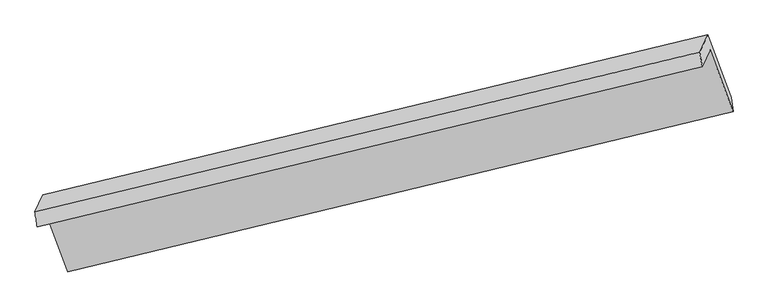
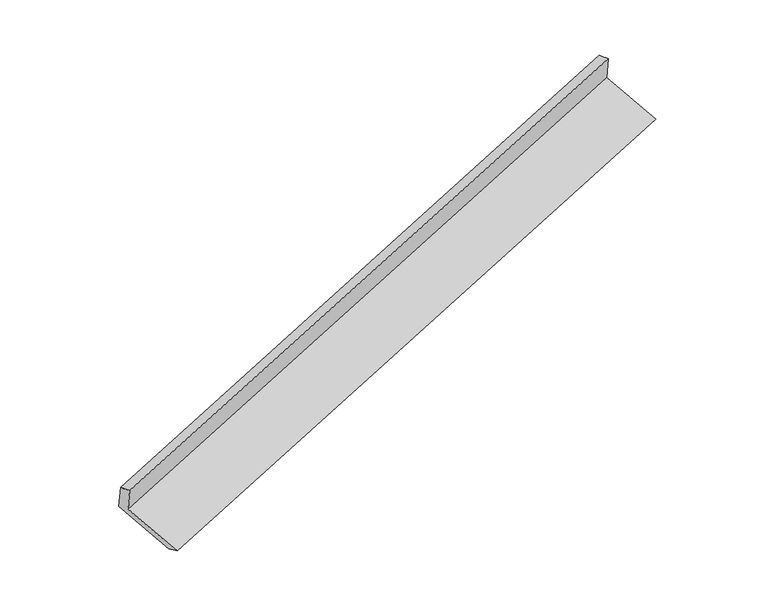
"""IFC4 building model written with IfcOpenShell, lengths in millimetres: proxy geometry."""

from ifc_helpers import new_model, si_unit, frame, origin, place, context, project, spatial, source, transform, mapped, element, save
from ifc_brep_helpers import plane_surface, spline_surface, advanced_brep


def generic_models_c0dd625f(model_context):
    return source(origin(), model_context, "Body", "AdvancedBrep", [
        advanced_brep(
        [(-6121.5503686, -2246.8032074, 1231.9339946), (-6047.2500124, -2086.4535323, 884.23793), (249.3421673, -566.9854118, 2930.5229875), (175.0418111, -727.335087, 3278.2190521), (-6142.4566091, -2103.5180097, 1187.2671295), (152.2305905, -588.16108, 3242.4667348), (-6068.4611416, -1943.8263234, 840.9978227), (228.1310381, -424.3582029, 2887.2828802), (-5845.7448142, -2540.3406082, 613.4917408), (450.8473655, -1020.8724877, 2659.7767983), (-5829.4766842, -2669.7286902, 661.7811519), (467.1154955, -1150.2605697, 2708.0662095)],
        [
            (0, 1),
            (1, 2),
            (2, 3),
            (3, 0),
            (4, 0),
            (3, 5),
            (5, 4),
            (6, 4),
            (5, 7),
            (7, 6),
            (8, 6),
            (7, 9),
            (9, 8),
            (10, 8),
            (9, 11),
            (11, 10),
            (1, 10),
            (11, 2),
        ],
        [
            plane_surface(frame((-6084.4001905, -2166.6283698, 1058.0859623), z_axis=(0.3232510842144527, -0.88371141250637, -0.3384713813015476), x_axis=(0.19049800713451623, 0.41111907293469113, -0.8914547757161314))),
            spline_surface(1, 1, [[(-6142.4566091, -2103.5180097, 1187.2671295), (152.2305905, -588.16108, 3242.4667348)], [(-6121.5503686, -2246.8032074, 1231.9339946), (175.0418111, -727.335087, 3278.2190521)]], [2, 2], [2, 2], [0.0, 1.0], [0.0, 1.0]),
            plane_surface(frame((-6105.4588754, -2023.6721665, 1014.1324761), z_axis=(-0.3232510842144527, 0.8837114125063696, 0.33847138130154814), x_axis=(-0.19049800713451637, -0.4111190729346917, 0.8914547757161311))),
            plane_surface(frame((-5957.1029779, -2242.0834658, 727.2447817), z_axis=(0.19049800713451714, 0.41111907293468863, -0.8914547757161323), x_axis=(-0.32938459309593, 0.8822101961918987, 0.3364683633955506))),
            plane_surface(frame((-5837.6107492, -2605.0346492, 637.6364464), z_axis=(0.3579675241525191, -0.2866473620258727, -0.8886464659783013), x_axis=(-0.11698607108827566, 0.9304451974865754, -0.3472549404191347))),
            plane_surface(frame((-5938.3633483, -2378.0911112, 773.0095409), z_axis=(-0.19049800713451465, -0.4111190729346958, 0.8914547757161296), x_axis=(0.3293845930959326, -0.8822101961918951, -0.3364683633955574))),
            plane_surface(frame((287.118078, -746.3288065, 2951.055777), z_axis=(0.9247790542117647, 0.22953491587201674, 0.3034755728008767), x_axis=(-0.32938459309593, 0.8822101961918987, 0.3364683633955506))),
            plane_surface(frame((-6009.156605, -2265.1117285, 903.2849616), z_axis=(-0.9247790542117673, -0.22953491587200955, -0.3034755728008739), x_axis=(-0.19049800713451653, -0.41111907293469074, 0.8914547757161314))),
        ],
        [
            (0, [[1, 2, 3, 4]]),
            (1, [[5, -4, 6, 7]]),
            (2, [[8, -7, 9, 10]]),
            (3, [[11, -10, 12, 13]]),
            (4, [[14, -13, 15, 16]]),
            (5, [[17, -16, 18, -2]]),
            (6, [[-12, -9, -6, -3, -18, -15]]),
            (7, [[-1, -5, -8, -11, -14, -17]]),
        ],
    ),
    ])


if __name__ == "__main__":
    model = new_model("IFC4")
    model_context = context("Model", 3, world=origin())
    ifc_project = project(units=[si_unit("LENGTHUNIT", "METRE", prefix="MILLI")], contexts=[model_context])
    site = spatial("IfcSite", under=ifc_project)
    building = spatial("IfcBuilding", under=site)
    placement = place(None, origin())
    generic_models_shape = generic_models_c0dd625f(model_context)
    element("IfcBuildingElementProxy", 1, Name="Generic Models", at=placement, inside=building, context=model_context, shape_type="MappedRepresentation", body=[
        mapped(generic_models_shape, transform((0.0, 0.0, 0.0), x_axis=(1.0, 0.0, 0.0), y_axis=(0.0, 1.0, 0.0), z_axis=(0.0, 0.0, 1.0))),
    ])
    save(model, "model.ifc")
